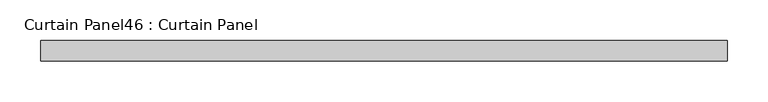
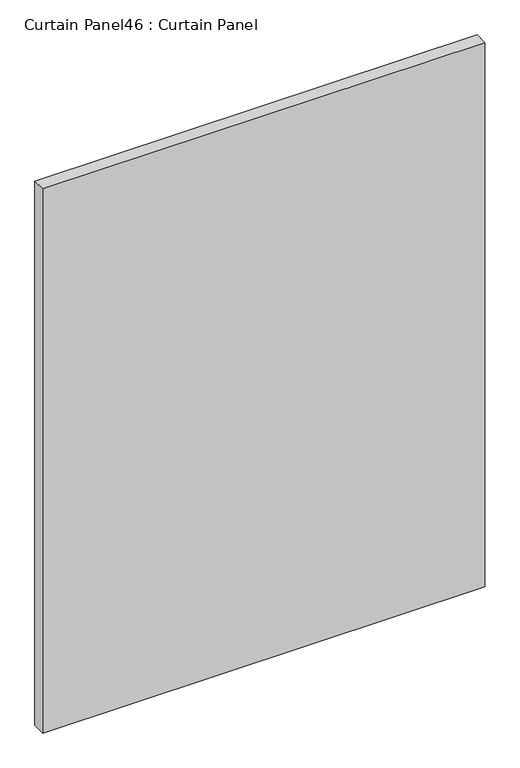
"""IFC4 building model written with IfcOpenShell, lengths in millimetres: plate geometry, Curtain Panel46 : Curtain Panel."""

from ifc_helpers import new_model, si_unit, frame, origin, place, context, project, spatial, polyline, outline, extrude, source, transform, mapped, element, save


def curtain_panel46_curtain_panel_588cf1fd(model_context):
    return source(origin(), model_context, "Body", "SweptSolid", [
        extrude(outline(polyline([(-42818.9811382, -3859.9631042), (-43663.31415, -3859.9631042), (-43663.31415, -3834.5631042), (-42818.9811382, -3834.5631042), (-42818.9811382, -3859.9631042)])), frame((0.0, 0.0, 57.2507602), z_axis=(0.0, 0.0, 1.0), x_axis=(1.0, 0.0, 0.0)), (0.0, 0.0, 1.0), 1098.2458539),
    ])


if __name__ == "__main__":
    model = new_model("IFC4")
    model_context = context("Model", 3, world=origin())
    ifc_project = project(units=[si_unit("LENGTHUNIT", "METRE", prefix="MILLI")], contexts=[model_context])
    site = spatial("IfcSite", under=ifc_project)
    building = spatial("IfcBuilding", under=site)
    placement = place(None, origin())
    curtain_panel46_curtain_panel_shape = curtain_panel46_curtain_panel_588cf1fd(model_context)
    element("IfcPlate", 1, ObjectType="Curtain Panel46 : Curtain Panel", at=placement, inside=building, context=model_context, shape_type="MappedRepresentation", body=[
        mapped(curtain_panel46_curtain_panel_shape, transform((0.0, 0.0, 0.0), x_axis=(1.0, 0.0, 0.0), y_axis=(0.0, 1.0, 0.0), z_axis=(0.0, 0.0, 1.0))),
    ])
    save(model, "model.ifc")
